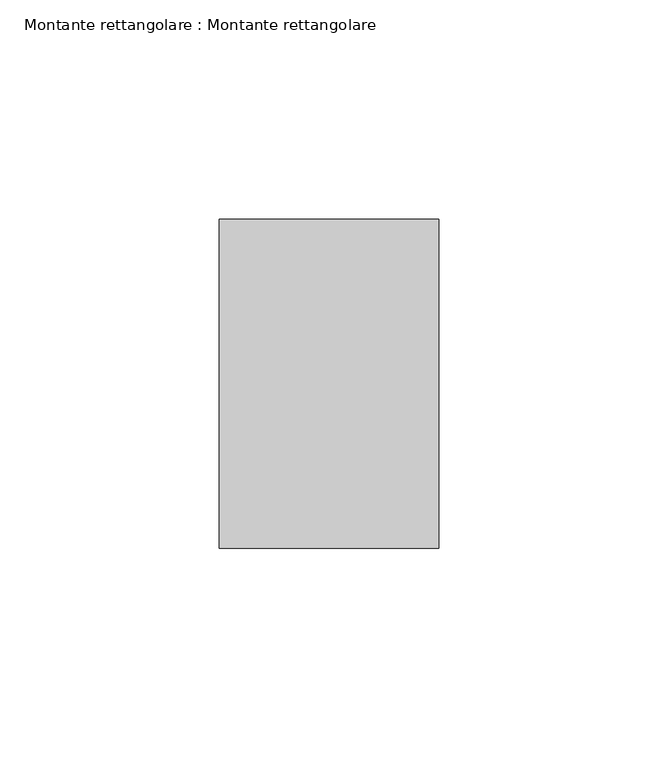
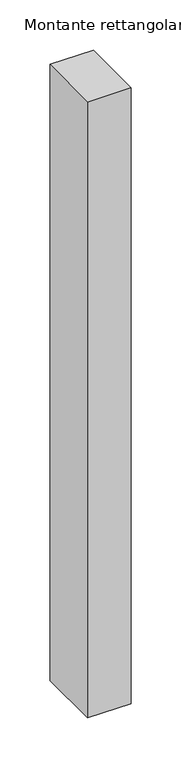
"""IFC4 building model written with IfcOpenShell, lengths in millimetres: member geometry, Montante rettangolare : Montante rettangolare."""

from ifc_helpers import new_model, si_unit, frame, origin, place, context, project, spatial, polyline, outline, extrude, source, transform, mapped, element, save


def montante_rettangolare_montante_rettangolare_236cfc02(model_context):
    return source(origin(), model_context, "Body", "SweptSolid", [
        extrude(outline(polyline([(-37.5, -0.1688971), (37.5, 0.1683914), (37.5, -750.0000917), (-37.5, -750.0000917), (-37.5, -0.1688971)])), frame((-50.0, 0.0, 0.0), z_axis=(1.0, 0.0, 0.0), x_axis=(0.0, 1.0, 0.0)), (0.0, 0.0, 1.0), 50.0),
    ])


if __name__ == "__main__":
    model = new_model("IFC4")
    model_context = context("Model", 3, world=origin())
    ifc_project = project(units=[si_unit("LENGTHUNIT", "METRE", prefix="MILLI")], contexts=[model_context])
    site = spatial("IfcSite", under=ifc_project)
    building = spatial("IfcBuilding", under=site)
    placement = place(None, origin())
    montante_rettangolare_montante_rettangolare_shape = montante_rettangolare_montante_rettangolare_236cfc02(model_context)
    element("IfcMember", 1, ObjectType="Montante rettangolare : Montante rettangolare", at=placement, inside=building, context=model_context, shape_type="MappedRepresentation", body=[
        mapped(montante_rettangolare_montante_rettangolare_shape, transform((0.0, 0.0, 0.0), x_axis=(1.0, 0.0, 0.0), y_axis=(0.0, 1.0, 0.0), z_axis=(0.0, 0.0, 1.0))),
    ])
    save(model, "model.ifc")
